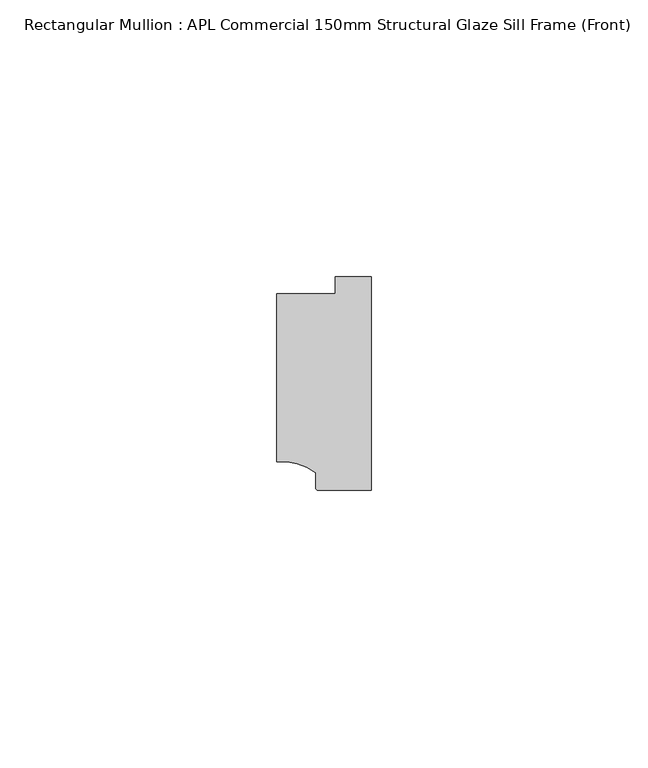
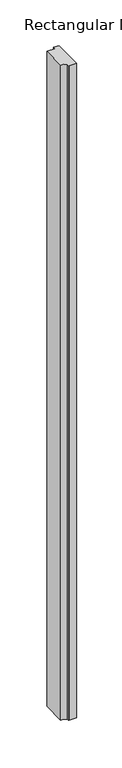
"""IFC4 building model written with IfcOpenShell, lengths in millimetres: member geometry, Rectangular Mullion : APL Commercial 150mm Structural Glaze Sill Frame (Front)."""

from ifc_helpers import new_model, si_unit, point, frame, frame_2d, origin, place, context, project, spatial, polyline, circle_curve, trimmed, segment, composite_curve, outline, extrude, source, transform, mapped, element, save


def rectangular_mullion_apl_commercial_150mm_structural_glaze_ae785972(model_context):
    return source(origin(), model_context, "Body", "SweptSolid", [
        extrude(outline(composite_curve([segment(polyline([(-16.999942, -15.3793144), (-16.999942, 15.0004332), (-6.5000029, 15.0004332), (-6.5000029, 18.0281616), (0.0, 18.0281616), (0.0, -20.49978), (-9.5000029, -20.49978)]), True, "CONTINUOUS"), segment(trimmed(circle_curve(frame_2d((-9.5000029, -19.99978)), 0.5), [point((-9.5000029, -20.49978))], [point((-10.0, -19.9980675))], False, "CARTESIAN"), True, "CONTINUOUS"), segment(polyline([(-10.0, -19.9980675), (-10.0, -17.3120901)]), True, "CONTINUOUS"), segment(trimmed(circle_curve(frame_2d((-16.1098048, -25.7977481)), 10.4563907), [point((-10.0, -17.3120901))], [point((-16.999942, -15.3793144))], True, "CARTESIAN"), True, "CONTINUOUS")], self_intersect=False)), frame((0.0, 0.0, -875.6849514), z_axis=(0.0, 0.0, 1.0), x_axis=(1.0, 0.0, 0.0)), (0.0, 0.0, 1.0), 875.6849514),
    ])


if __name__ == "__main__":
    model = new_model("IFC4")
    model_context = context("Model", 3, world=origin())
    ifc_project = project(units=[si_unit("LENGTHUNIT", "METRE", prefix="MILLI")], contexts=[model_context])
    site = spatial("IfcSite", under=ifc_project)
    building = spatial("IfcBuilding", under=site)
    placement = place(None, origin())
    rectangular_mullion_apl_commercial_150mm_structural_glaze_shape = rectangular_mullion_apl_commercial_150mm_structural_glaze_ae785972(model_context)
    element("IfcMember", 1, ObjectType="Rectangular Mullion : APL Commercial 150mm Structural Glaze Sill Frame (Front)", at=placement, inside=building, context=model_context, shape_type="MappedRepresentation", body=[
        mapped(rectangular_mullion_apl_commercial_150mm_structural_glaze_shape, transform((0.0, 0.0, 0.0), x_axis=(1.0, 0.0, 0.0), y_axis=(0.0, 1.0, 0.0), z_axis=(0.0, 0.0, 1.0))),
    ])
    save(model, "model.ifc")
